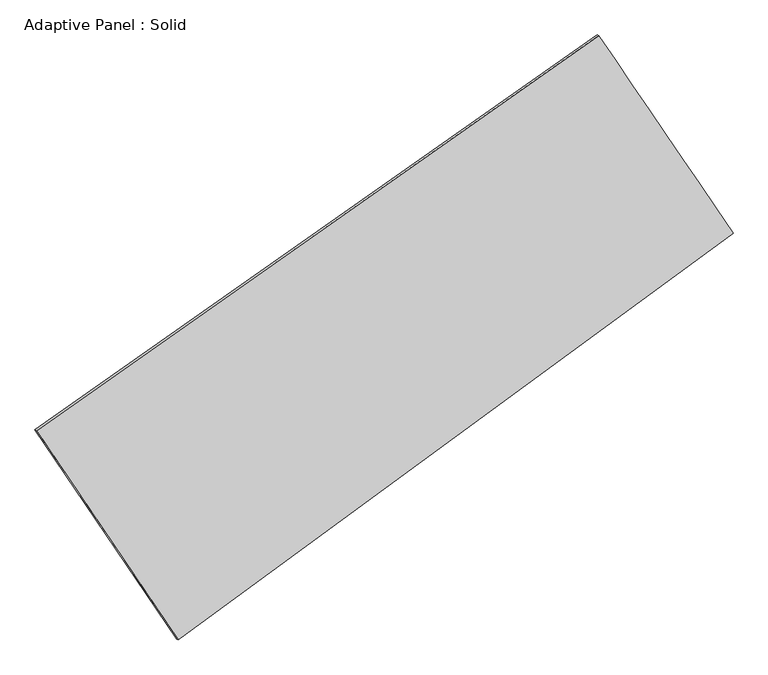
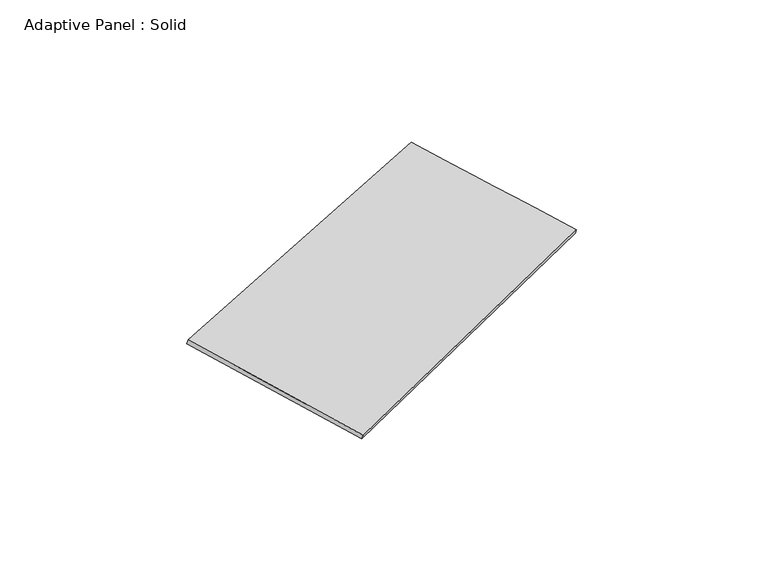
"""IFC4 building model written with IfcOpenShell, lengths in millimetres: plate geometry, Adaptive Panel : Solid."""

from ifc_helpers import new_model, si_unit, frame, origin, place, context, project, spatial, source, transform, mapped, element, save
from ifc_brep_helpers import plane_surface, spline_surface, advanced_brep


def adaptive_panel_solid_29e00be9(model_context):
    return source(origin(), model_context, "Body", "AdvancedBrep", [
        advanced_brep(
        [(1137.7931398, 2422.7896504, 648.5796764), (-3603.4541526, -907.9932048, 1684.7933422), (-3588.7877968, -914.3732982, 1732.1662503), (1152.4594956, 2416.409557, 695.9525844), (-2408.0286532, -2673.6143091, 1060.4916173), (-2393.3622974, -2679.9944025, 1107.8645253), (2270.3990879, 758.5692906, 91.2578843), (2285.0654437, 752.1891971, 138.6307923)],
        [
            (0, 1),
            (1, 2),
            (2, 3),
            (3, 0),
            (1, 4),
            (4, 5),
            (5, 2),
            (4, 6),
            (6, 7),
            (7, 5),
            (6, 0),
            (3, 7),
        ],
        [
            plane_surface(frame((-1232.8305064, 757.3982228, 1166.6865093), z_axis=(-0.5136707799942183, 0.8148050976747562, 0.2687656648148401), x_axis=(-0.8054860818790539, -0.5658635937192888, 0.17604137355241833))),
            plane_surface(frame((-3005.7414029, -1790.8037569, 1372.6424798), z_axis=(-0.7888151689456944, -0.592221100726504, 0.16445302397786382), x_axis=(0.5380536539265988, -0.7946951834704173, -0.2809943609134456))),
            plane_surface(frame((-68.8147826, -957.5225092, 575.8747508), z_axis=(0.5317539005218515, -0.8018220198304379, -0.27261554943699357), x_axis=(0.7952763131218251, 0.5834298337269687, -0.164758049589932))),
            plane_surface(frame((1704.0961139, 1590.6794705, 369.9187803), z_axis=(0.7889486819355279, 0.592024379799961, -0.16452085276543177), x_axis=(-0.5422312935823174, 0.7967399076915219, 0.26681593609031673))),
            spline_surface(1, 1, [[(-3588.7877968, -914.3732982, 1732.1662503), (1152.4594956, 2416.409557, 695.9525844)], [(-2393.3622974, -2679.9944025, 1107.8645253), (2285.0654437, 752.1891971, 138.6307923)]], [2, 2], [2, 2], [0.0, 1.0], [0.0, 1.0]),
            spline_surface(1, 1, [[(2270.3990879, 758.5692906, 91.2578843), (1137.7931398, 2422.7896504, 648.5796764)], [(-2408.0286532, -2673.6143091, 1060.4916173), (-3603.4541526, -907.9932048, 1684.7933422)]], [2, 2], [2, 2], [0.0, 1.0], [0.0, 1.0]),
        ],
        [
            (0, [[1, 2, 3, 4]]),
            (1, [[5, 6, 7, -2]]),
            (2, [[8, 9, 10, -6]]),
            (3, [[11, -4, 12, -9]]),
            (4, [[-3, -7, -10, -12]]),
            (5, [[-11, -8, -5, -1]]),
        ],
    ),
    ])


if __name__ == "__main__":
    model = new_model("IFC4")
    model_context = context("Model", 3, world=origin())
    ifc_project = project(units=[si_unit("LENGTHUNIT", "METRE", prefix="MILLI")], contexts=[model_context])
    site = spatial("IfcSite", under=ifc_project)
    building = spatial("IfcBuilding", under=site)
    placement = place(None, origin())
    adaptive_panel_solid_shape = adaptive_panel_solid_29e00be9(model_context)
    element("IfcPlate", 1, ObjectType="Adaptive Panel : Solid", at=placement, inside=building, context=model_context, shape_type="MappedRepresentation", body=[
        mapped(adaptive_panel_solid_shape, transform((0.0, 0.0, 0.0), x_axis=(1.0, 0.0, 0.0), y_axis=(0.0, 1.0, 0.0), z_axis=(0.0, 0.0, 1.0))),
    ])
    save(model, "model.ifc")
